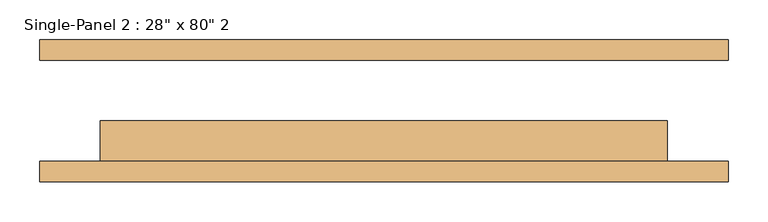
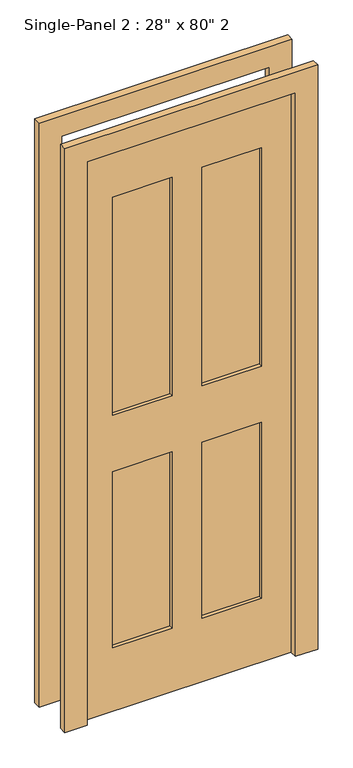
"""IFC4 building model written with IfcOpenShell, lengths in millimetres: door geometry."""

from ifc_helpers import new_model, si_unit, frame, origin, place, context, project, spatial, polyline, outline, extrude, source, transform, mapped, element, save


def door_6e040ef0(model_context):
    return source(origin(), model_context, "Body", "SweptSolid", [
        extrude(outline(polyline([(-50.9240165, -25.4), (-50.9240165, -50.8), (-253.4511799, -50.8), (-253.4511799, -25.4), (-50.9240165, -25.4)])), frame((0.0, 0.0, 1068.1906173), z_axis=(0.0, 0.0, 1.0), x_axis=(1.0, 0.0, 0.0)), (0.0, 0.0, 1.0), 787.6046757),
        extrude(outline(polyline([(254.5488201, -25.4), (254.5488201, -50.8), (50.6759835, -50.8), (50.6759835, -25.4), (254.5488201, -25.4)])), frame((0.0, 0.0, 1068.1906173), z_axis=(0.0, 0.0, 1.0), x_axis=(1.0, 0.0, 0.0)), (0.0, 0.0, 1.0), 787.6046757),
        extrude(outline(polyline([(-50.9240165, -25.4), (-50.9240165, -50.8), (-253.4511799, -50.8), (-253.4511799, -25.4), (-50.9240165, -25.4)])), frame((0.0, 0.0, 230.195293), z_axis=(0.0, 0.0, 1.0), x_axis=(1.0, 0.0, 0.0)), (0.0, 0.0, 1.0), 635.0),
        extrude(outline(polyline([(254.5488201, -25.4), (254.5488201, -50.8), (50.6759835, -50.8), (50.6759835, -25.4), (254.5488201, -25.4)])), frame((0.0, 0.0, 230.195293), z_axis=(0.0, 0.0, 1.0), x_axis=(1.0, 0.0, 0.0)), (0.0, 0.0, 1.0), 634.7953243),
        extrude(outline(polyline([(2108.2, -431.8), (1.3906173, -431.8), (1.3906173, -355.7240165), (2033.3906173, -355.7240165), (2033.3906173, 355.4759835), (1.3906173, 355.4759835), (0.0, 431.8), (2108.2, 431.8), (2108.2, -431.8)])), frame((0.0, -88.9, 0.0), z_axis=(0.0, 1.0, 0.0), x_axis=(0.0, 0.0, 1.0)), (0.0, 0.0, 1.0), 25.4),
        extrude(outline(polyline([(2108.2, 431.8), (2108.2, -431.8), (1.3906173, -431.8), (1.3906173, -355.7240165), (2033.3906173, -355.7240165), (2033.3906173, 355.4759835), (1.3906173, 355.4759835), (0.0, 431.8), (2108.2, 431.8)])), frame((0.0, 63.5, 0.0), z_axis=(0.0, 1.0, 0.0), x_axis=(0.0, 0.0, 1.0)), (0.0, 0.0, 1.0), 25.4),
        extrude(outline(polyline([(2033.3906173, 355.4759835), (2033.3906173, -355.7240165), (1.3906173, -355.7240165), (1.3906173, 355.4759835), (2033.3906173, 355.4759835)]), holes=[polyline([(1855.795293, -50.9240165), (1068.1906173, -50.9240165), (1068.1906173, -253.4511799), (1855.795293, -253.4511799), (1855.795293, -50.9240165)]), polyline([(1855.795293, 254.5488201), (1068.1906173, 254.5488201), (1068.1906173, 50.6759835), (1855.795293, 50.6759835), (1855.795293, 254.5488201)]), polyline([(865.195293, -50.9240165), (230.195293, -50.9240165), (230.195293, -253.4511799), (865.195293, -253.4511799), (865.195293, -50.9240165)]), polyline([(864.9906173, 254.5488201), (230.195293, 254.5488201), (230.195293, 50.6759835), (864.9906173, 50.6759835), (864.9906173, 254.5488201)])]), frame((0.0, -63.5, 0.0), z_axis=(0.0, 1.0, 0.0), x_axis=(0.0, 0.0, 1.0)), (0.0, 0.0, 1.0), 50.8),
    ])


if __name__ == "__main__":
    model = new_model("IFC4")
    model_context = context("Model", 3, world=origin())
    ifc_project = project(units=[si_unit("LENGTHUNIT", "METRE", prefix="MILLI")], contexts=[model_context])
    site = spatial("IfcSite", under=ifc_project)
    building = spatial("IfcBuilding", under=site)
    placement = place(None, origin())
    door_shape = door_6e040ef0(model_context)
    element("IfcDoor", 1, ObjectType="Single-Panel 2 : 28\" x 80\" 2", at=placement, inside=building, context=model_context, shape_type="MappedRepresentation", body=[
        mapped(door_shape, transform((0.0, 0.0, 0.0), x_axis=(1.0, 0.0, 0.0), y_axis=(0.0, 1.0, 0.0), z_axis=(0.0, 0.0, 1.0))),
    ])
    save(model, "model.ifc")
